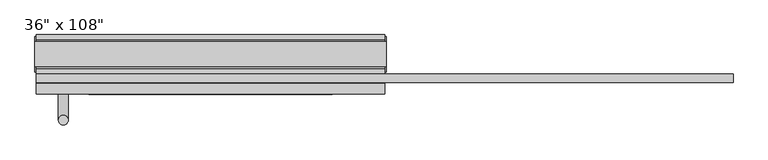
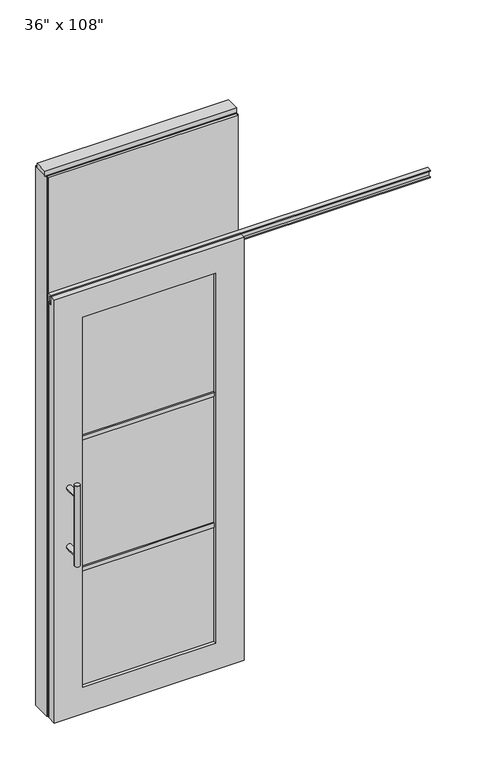
"""IFC4 building model written with IfcOpenShell, lengths in millimetres: furniture geometry."""

from ifc_helpers import new_model, si_unit, frame, origin, origin_with_axes, place, context, project, spatial, polyline, circle_curve, ellipse_curve, outline, extrude, faceted_brep, source, transform, mapped, element, save
from ifc_brep_helpers import plane_surface, cylinder_surface, advanced_brep


def furniture_c9f818a4(model_context):
    return source(origin(), model_context, "Body", "SolidModel", [
        extrude(outline(polyline([(393.2264771, 46.2822784), (393.2264771, 33.5822784), (-513.2995229, 33.5822784), (-513.2995229, 46.2822784), (393.2264771, 46.2822784)])), frame((0.0, 0.0, 2133.6), z_axis=(0.0, 0.0, 1.0), x_axis=(1.0, 0.0, 0.0)), (0.0, 0.0, 1.0), 584.2),
        extrude(outline(polyline([(393.2264771, -55.3177216), (-513.2995229, -55.3177216), (-513.2995229, -42.6177216), (393.2264771, -42.6177216), (393.2264771, -55.3177216)])), frame((0.0, 0.0, 2133.6), z_axis=(0.0, 0.0, 1.0), x_axis=(1.0, 0.0, 0.0)), (0.0, 0.0, 1.0), 584.2),
        advanced_brep(
        [(-456.0225229, 3.3562784, 1219.2), (-430.6225229, 3.3562784, 1219.2), (-456.0225229, 3.3562784, 812.8), (-430.6225229, 3.3562784, 812.8), (-430.6225229, 3.3562784, 1164.336), (-430.6225229, 3.3562784, 867.664), (-456.0225229, 3.3562784, 867.664), (-456.0225229, 3.3562784, 1164.336), (-456.0225229, -64.2077216, 1164.336), (-430.6225229, -64.2077216, 1164.336), (-456.0225229, -64.2077216, 867.664), (-430.6225229, -64.2077216, 867.664)],
        [
            (0, 1, circle_curve(frame((-443.3225229, 3.3562784, 1219.2), z_axis=(0.0, 0.0, 1.0), x_axis=(1.0, 0.0, 0.0)), 12.7)),
            (1, 0, circle_curve(frame((-443.3225229, 3.3562784, 1219.2), z_axis=(0.0, 0.0, 1.0), x_axis=(1.0, 0.0, 0.0)), 12.7)),
            (2, 3, circle_curve(frame((-443.3225229, 3.3562784, 812.8), z_axis=(0.0, 0.0, -1.0), x_axis=(1.0, 0.0, 0.0)), 12.7)),
            (3, 2, circle_curve(frame((-443.3225229, 3.3562784, 812.8), z_axis=(0.0, 0.0, -1.0), x_axis=(1.0, 0.0, 0.0)), 12.7)),
            (1, 4),
            (4, 5),
            (5, 3),
            (2, 6),
            (6, 7),
            (7, 0),
            (6, 5, ellipse_curve(frame((-443.3225229, 3.3562784, 867.664), z_axis=(0.0, 0.707106781186565, 0.70710678118653), x_axis=(0.0, -0.70710678118653, 0.707106781186565)), 17.9605122, 12.7)),
            (4, 7, ellipse_curve(frame((-443.3225229, 3.3562784, 1164.336), z_axis=(0.0, 0.70710678118653, -0.7071067811865649), x_axis=(0.0, 0.7071067811865648, 0.7071067811865301)), 17.9605122, 12.7)),
            (7, 4, ellipse_curve(frame((-443.3225229, 3.3562784, 1164.336), z_axis=(0.0, 0.707106781186565, 0.70710678118653), x_axis=(0.0, -0.70710678118653, 0.707106781186565)), 17.9605122, 12.7)),
            (5, 6, ellipse_curve(frame((-443.3225229, 3.3562784, 867.664), z_axis=(0.0, 0.70710678118653, -0.7071067811865649), x_axis=(0.0, 0.7071067811865648, 0.7071067811865301)), 17.9605122, 12.7)),
            (8, 9, circle_curve(frame((-443.3225229, -64.2077216, 1164.336), z_axis=(0.0, -1.0, 0.0), x_axis=(1.0, 0.0, 0.0)), 12.7)),
            (9, 8, circle_curve(frame((-443.3225229, -64.2077216, 1164.336), z_axis=(0.0, -1.0, 0.0), x_axis=(1.0, 0.0, 0.0)), 12.7)),
            (8, 7),
            (4, 9),
            (10, 11, circle_curve(frame((-443.3225229, -64.2077216, 867.664), z_axis=(0.0, -1.0, 0.0), x_axis=(1.0, 0.0, 0.0)), 12.7)),
            (11, 10, circle_curve(frame((-443.3225229, -64.2077216, 867.664), z_axis=(0.0, -1.0, 0.0), x_axis=(1.0, 0.0, 0.0)), 12.7)),
            (10, 6),
            (5, 11),
        ],
        [
            plane_surface(frame((-430.6225229, 3.3562784, 1219.2), z_axis=(0.0, 0.0, 1.0), x_axis=(0.0, -1.0, 0.0))),
            plane_surface(frame((-430.6225229, 3.3562784, 812.8), z_axis=(0.0, 0.0, -1.0), x_axis=(0.0, 1.0, 0.0))),
            cylinder_surface(frame((-443.3225229, 3.3562784, 812.8), z_axis=(0.0, 0.0, 1.0), x_axis=(1.0, 0.0, 0.0)), 12.7),
            plane_surface(frame((-430.6225229, -64.2077216, 1164.336), z_axis=(0.0, -1.0, 0.0), x_axis=(0.0, 0.0, -1.0))),
            cylinder_surface(frame((-443.3225229, -64.2077216, 1164.336), z_axis=(0.0, 1.0, 0.0), x_axis=(1.0, 0.0, 0.0)), 12.7),
            plane_surface(frame((-430.6225229, -64.2077216, 867.664), z_axis=(0.0, -1.0, 0.0), x_axis=(0.0, 0.0, -1.0))),
            cylinder_surface(frame((-443.3225229, -64.2077216, 867.664), z_axis=(0.0, 1.0, 0.0), x_axis=(1.0, 0.0, 0.0)), 12.7),
        ],
        [
            (0, [[1, 2]]),
            (1, [[3, 4]]),
            (2, [[5, 6, 7, -3, 8, 9, 10, -2]]),
            (2, [[-9, 11, -6, 12]]),
            (2, [[-10, 13, -5, -1]]),
            (2, [[-7, 14, -8, -4]]),
            (3, [[15, 16]]),
            (4, [[17, -12, 18, -15]]),
            (4, [[-18, -13, -17, -16]]),
            (5, [[19, 20]]),
            (6, [[21, -14, 22, -19]]),
            (6, [[-22, -11, -21, -20]]),
        ],
    ),
        advanced_brep(
        [(-456.0225229, -176.2217216, 1219.2), (-430.6225229, -176.2217216, 1219.2), (-456.0225229, -176.2217216, 812.8), (-430.6225229, -176.2217216, 812.8), (-456.0225229, -176.2217216, 1164.336), (-456.0225229, -176.2217216, 867.664), (-430.6225229, -176.2217216, 867.664), (-430.6225229, -176.2217216, 1164.336), (-456.0225229, -108.6577216, 1164.336), (-430.6225229, -108.6577216, 1164.336), (-456.0225229, -108.6577216, 867.664), (-430.6225229, -108.6577216, 867.664)],
        [
            (0, 1, circle_curve(frame((-443.3225229, -176.2217216, 1219.2), z_axis=(0.0, 0.0, 1.0), x_axis=(1.0, 0.0, 0.0)), 12.7)),
            (1, 0, circle_curve(frame((-443.3225229, -176.2217216, 1219.2), z_axis=(0.0, 0.0, 1.0), x_axis=(1.0, 0.0, 0.0)), 12.7)),
            (2, 3, circle_curve(frame((-443.3225229, -176.2217216, 812.8), z_axis=(0.0, 0.0, -1.0), x_axis=(1.0, 0.0, 0.0)), 12.7)),
            (3, 2, circle_curve(frame((-443.3225229, -176.2217216, 812.8), z_axis=(0.0, 0.0, -1.0), x_axis=(1.0, 0.0, 0.0)), 12.7)),
            (0, 4),
            (4, 5),
            (5, 2),
            (3, 6),
            (6, 7),
            (7, 1),
            (7, 4, ellipse_curve(frame((-443.3225229, -176.2217216, 1164.336), z_axis=(0.0, -0.707106781186565, 0.70710678118653), x_axis=(0.0, 0.70710678118653, 0.707106781186565)), 17.9605122, 12.7)),
            (5, 6, ellipse_curve(frame((-443.3225229, -176.2217216, 867.664), z_axis=(0.0, -0.70710678118653, -0.7071067811865649), x_axis=(0.0, -0.7071067811865648, 0.7071067811865301)), 17.9605122, 12.7)),
            (4, 7, ellipse_curve(frame((-443.3225229, -176.2217216, 1164.336), z_axis=(0.0, -0.70710678118653, -0.7071067811865649), x_axis=(0.0, -0.7071067811865648, 0.7071067811865301)), 17.9605122, 12.7)),
            (6, 5, ellipse_curve(frame((-443.3225229, -176.2217216, 867.664), z_axis=(0.0, -0.707106781186565, 0.70710678118653), x_axis=(0.0, 0.70710678118653, 0.707106781186565)), 17.9605122, 12.7)),
            (8, 9, circle_curve(frame((-443.3225229, -108.6577216, 1164.336), z_axis=(0.0, 1.0, 0.0), x_axis=(1.0, 0.0, 0.0)), 12.7)),
            (9, 8, circle_curve(frame((-443.3225229, -108.6577216, 1164.336), z_axis=(0.0, 1.0, 0.0), x_axis=(1.0, 0.0, 0.0)), 12.7)),
            (9, 7),
            (4, 8),
            (10, 11, circle_curve(frame((-443.3225229, -108.6577216, 867.664), z_axis=(0.0, 1.0, 0.0), x_axis=(1.0, 0.0, 0.0)), 12.7)),
            (11, 10, circle_curve(frame((-443.3225229, -108.6577216, 867.664), z_axis=(0.0, 1.0, 0.0), x_axis=(1.0, 0.0, 0.0)), 12.7)),
            (11, 6),
            (5, 10),
        ],
        [
            plane_surface(frame((-430.6225229, -176.2217216, 1219.2), z_axis=(0.0, 0.0, 1.0), x_axis=(0.0, 1.0, 0.0))),
            plane_surface(frame((-430.6225229, -176.2217216, 812.8), z_axis=(0.0, 0.0, -1.0), x_axis=(0.0, -1.0, 0.0))),
            cylinder_surface(frame((-443.3225229, -176.2217216, 812.8), z_axis=(0.0, 0.0, 1.0), x_axis=(1.0, 0.0, 0.0)), 12.7),
            plane_surface(frame((-430.6225229, -108.6577216, 1164.336), z_axis=(0.0, 1.0, 0.0), x_axis=(0.0, 0.0, -1.0))),
            cylinder_surface(frame((-443.3225229, -108.6577216, 1164.336), z_axis=(0.0, -1.0, 0.0), x_axis=(1.0, 0.0, 0.0)), 12.7),
            plane_surface(frame((-430.6225229, -108.6577216, 867.664), z_axis=(0.0, 1.0, 0.0), x_axis=(0.0, 0.0, -1.0))),
            cylinder_surface(frame((-443.3225229, -108.6577216, 867.664), z_axis=(0.0, -1.0, 0.0), x_axis=(1.0, 0.0, 0.0)), 12.7),
        ],
        [
            (0, [[1, 2]]),
            (1, [[3, 4]]),
            (2, [[-1, 5, 6, 7, -4, 8, 9, 10]]),
            (2, [[-2, -10, 11, -5]]),
            (2, [[-3, -7, 12, -8]]),
            (2, [[13, -9, 14, -6]]),
            (3, [[15, 16]]),
            (4, [[-16, 17, -13, 18]]),
            (4, [[-15, -18, -11, -17]]),
            (5, [[19, 20]]),
            (6, [[-20, 21, -12, 22]]),
            (6, [[-19, -22, -14, -21]]),
        ],
    ),
        extrude(outline(polyline([(-377.2825229, -97.5452216), (-377.2825229, -75.3202216), (257.2094771, -75.3202216), (257.2094771, -97.5452216), (-377.2825229, -97.5452216)])), frame((0.0, 0.0, 1371.6), z_axis=(0.0, 0.0, 1.0), x_axis=(1.0, 0.0, 0.0)), (0.0, 0.0, 1.0), 22.225),
        extrude(outline(polyline([(-377.2825229, -97.5452216), (-377.2825229, -75.3202216), (257.2094771, -75.3202216), (257.2094771, -97.5452216), (-377.2825229, -97.5452216)])), frame((0.0, 0.0, 711.2), z_axis=(0.0, 0.0, 1.0), x_axis=(1.0, 0.0, 0.0)), (0.0, 0.0, 1.0), 22.225),
        extrude(outline(polyline([(257.2094771, -91.5127216), (-377.2825229, -91.5127216), (-377.2825229, -81.3527216), (257.2094771, -81.3527216), (257.2094771, -91.5127216)])), frame((0.0, 0.0, 132.969), z_axis=(0.0, 0.0, 1.0), x_axis=(1.0, 0.0, 0.0)), (0.0, 0.0, 1.0), 1867.662),
        extrude(outline(polyline([(-77.9237216, 2097.278), (-77.9237216, 2102.612), (-65.2237216, 2102.612), (-65.2237216, 2131.568), (-77.9237216, 2131.568), (-77.9237216, 2136.902), (-56.2067216, 2136.902), (-56.2067216, 2097.278), (-77.9237216, 2097.278)])), frame((-513.2995229, 0.0, 0.0), z_axis=(1.0, 0.0, 0.0), x_axis=(0.0, 1.0, 0.0)), (0.0, 0.0, 1.0), 1813.052),
        faceted_brep([(-513.2995229, -108.6577216, 0.0), (393.2264771, -108.6577216, 0.0), (393.2264771, -108.6577216, 2133.6), (-513.2995229, -108.6577216, 2133.6), (257.2094771, -108.6577216, 2000.631), (257.2094771, -108.6577216, 132.969), (-377.2825229, -108.6577216, 132.969), (-377.2825229, -108.6577216, 2000.631), (-513.2995229, -81.2257216, 2133.6), (393.2264771, -81.2257216, 2133.6), (393.2264771, -81.2257216, 2089.023), (-513.2995229, -81.2257216, 2089.023), (-513.2995229, -64.2077216, 2089.023), (-513.2995229, -64.2077216, 0.0), (393.2264771, -64.2077216, 0.0), (393.2264771, -64.2077216, 2089.023), (257.2094771, -64.2077216, 2000.631), (-377.2825229, -64.2077216, 2000.631), (-377.2825229, -64.2077216, 132.969), (257.2094771, -64.2077216, 132.969)], [[[0, 1, 2, 3], [4, 5, 6, 7]], [[8, 9, 10, 11]], [[0, 3, 8, 11, 12, 13]], [[2, 1, 14, 15, 10, 9]], [[3, 2, 9, 8]], [[15, 14, 13, 12], [16, 17, 18, 19]], [[15, 12, 11, 10]], [[1, 0, 13, 14]], [[5, 4, 16, 19]], [[6, 5, 19, 18]], [[7, 6, 18, 17]], [[4, 7, 17, 16]]]),
        extrude(outline(polyline([(-42.6177216, 2681.478), (-42.6177216, 2717.8), (33.5822784, 2717.8), (33.5822784, 2681.478), (28.6292784, 2681.478), (28.6292784, 2676.525), (-37.6647216, 2676.525), (-37.6647216, 2681.478), (-42.6177216, 2681.478)])), frame((-513.2995229, 0.0, 0.0), z_axis=(1.0, 0.0, 0.0), x_axis=(0.0, 1.0, 0.0)), (0.0, 0.0, 1.0), 906.526),
        extrude(outline(polyline([(-513.2995229, -55.3177216), (-513.2995229, 46.2822784), (393.2264771, 46.2822784), (393.2264771, -55.3177216), (-513.2995229, -55.3177216)])), frame((0.0, 0.0, 2070.1), z_axis=(0.0, 0.0, 1.0), x_axis=(1.0, 0.0, 0.0)), (0.0, 0.0, 1.0), 22.225),
        extrude(outline(polyline([(-55.3177216, 2097.278), (-55.3177216, 2133.6), (46.2822784, 2133.6), (46.2822784, 2097.278), (41.3292784, 2097.278), (41.3292784, 2092.325), (-50.3647216, 2092.325), (-50.3647216, 2097.278), (-55.3177216, 2097.278)])), frame((-513.2995229, 0.0, 0.0), z_axis=(1.0, 0.0, 0.0), x_axis=(0.0, 1.0, 0.0)), (0.0, 0.0, 1.0), 906.526),
        extrude(outline(polyline([(397.1634771, -50.3647216), (393.2264771, -50.3647216), (393.2264771, 41.3292784), (397.1634771, 41.3292784), (397.1634771, -50.3647216)])), origin_with_axes(), (0.0, 0.0, 1.0), 2717.8),
        extrude(outline(polyline([(-517.2365229, -50.3647216), (-517.2365229, 41.3292784), (-513.2995229, 41.3292784), (-513.2995229, -50.3647216), (-517.2365229, -50.3647216)])), origin_with_axes(), (0.0, 0.0, 1.0), 2717.8),
        extrude(outline(polyline([(371.0014771, -55.3177216), (371.0014771, 46.2822784), (393.2264771, 46.2822784), (393.2264771, -55.3177216), (371.0014771, -55.3177216)])), origin_with_axes(), (0.0, 0.0, 1.0), 2070.1),
        extrude(outline(polyline([(-491.0745229, -55.3177216), (-513.2995229, -55.3177216), (-513.2995229, 46.2822784), (-491.0745229, 46.2822784), (-491.0745229, -55.3177216)])), origin_with_axes(), (0.0, 0.0, 1.0), 2070.1),
        extrude(outline(polyline([(-517.2365229, -37.0297216), (-517.2365229, 27.9942784), (397.1634771, 27.9942784), (397.1634771, -37.0297216), (-517.2365229, -37.0297216)])), frame((0.0, 0.0, 2717.8), z_axis=(0.0, 0.0, 1.0), x_axis=(1.0, 0.0, 0.0)), (0.0, 0.0, 1.0), 25.4),
    ])


if __name__ == "__main__":
    model = new_model("IFC4")
    model_context = context("Model", 3, world=origin())
    ifc_project = project(units=[si_unit("LENGTHUNIT", "METRE", prefix="MILLI")], contexts=[model_context])
    site = spatial("IfcSite", under=ifc_project)
    building = spatial("IfcBuilding", under=site)
    placement = place(None, origin())
    furniture_shape = furniture_c9f818a4(model_context)
    element("IfcFurniture", 1, ObjectType="36\" x 108\"", at=placement, inside=building, context=model_context, shape_type="MappedRepresentation", body=[
        mapped(furniture_shape, transform((0.0, 0.0, 0.0), x_axis=(1.0, 0.0, 0.0), y_axis=(0.0, 1.0, 0.0), z_axis=(0.0, 0.0, 1.0))),
    ])
    save(model, "model.ifc")
